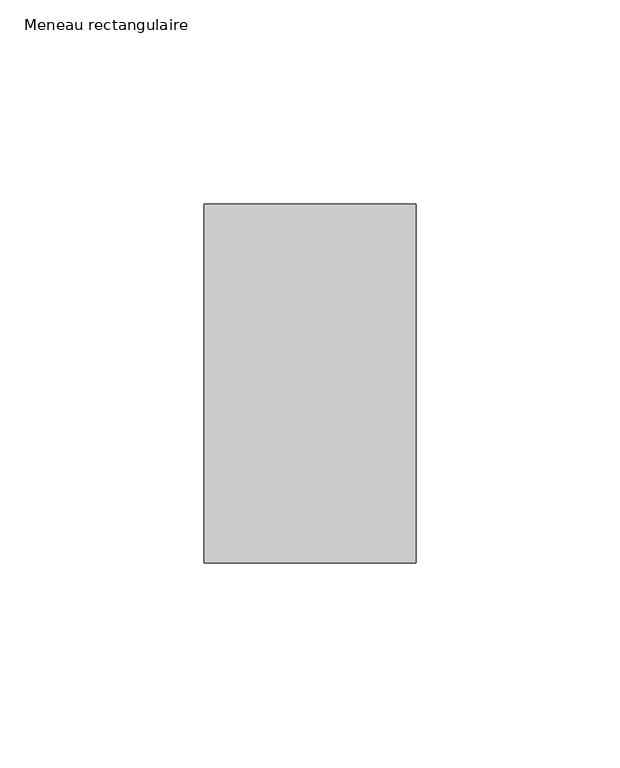
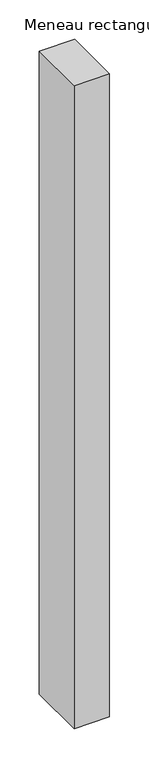
"""IFC4 building model written with IfcOpenShell, lengths in millimetres: member geometry, Meneau rectangulaire."""

from ifc_helpers import new_model, si_unit, frame, origin, place, context, project, spatial, polyline, outline, extrude, source, transform, mapped, element, save


def meneau_rectangulaire_270daaca(model_context):
    return source(origin(), model_context, "Body", "SweptSolid", [
        extrude(outline(polyline([(-52.0, 44.0), (0.0, 44.0), (0.0, -44.0), (-52.0, -44.0), (-52.0, 44.0)])), frame((0.0, 0.0, -997.1707161), z_axis=(0.0, 0.0, 1.0), x_axis=(1.0, 0.0, 0.0)), (0.0, 0.0, 1.0), 997.1707161),
    ])


if __name__ == "__main__":
    model = new_model("IFC4")
    model_context = context("Model", 3, world=origin())
    ifc_project = project(units=[si_unit("LENGTHUNIT", "METRE", prefix="MILLI")], contexts=[model_context])
    site = spatial("IfcSite", under=ifc_project)
    building = spatial("IfcBuilding", under=site)
    placement = place(None, origin())
    meneau_rectangulaire_shape = meneau_rectangulaire_270daaca(model_context)
    element("IfcMember", 1, ObjectType="Meneau rectangulaire", at=placement, inside=building, context=model_context, shape_type="MappedRepresentation", body=[
        mapped(meneau_rectangulaire_shape, transform((0.0, 0.0, 0.0), x_axis=(1.0, 0.0, 0.0), y_axis=(0.0, 1.0, 0.0), z_axis=(0.0, 0.0, 1.0))),
    ])
    save(model, "model.ifc")
